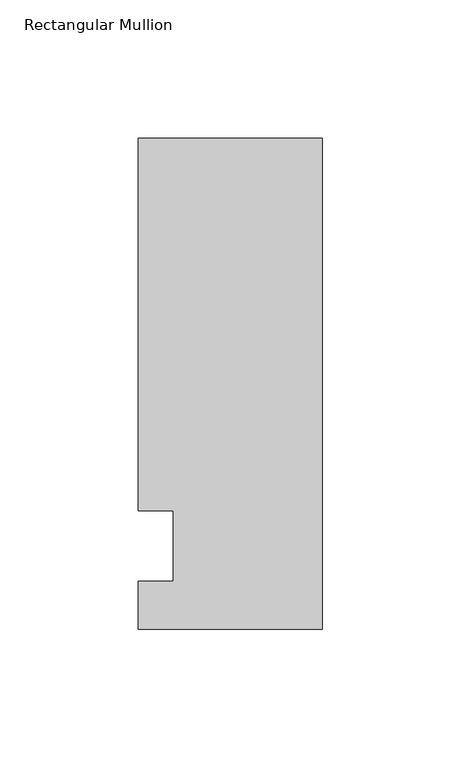
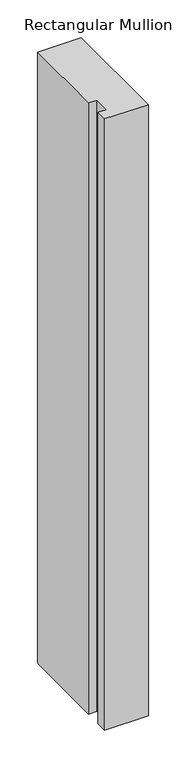
"""IFC4 building model written with IfcOpenShell, lengths in millimetres: member geometry, Rectangular Mullion."""

from ifc_helpers import new_model, si_unit, frame, origin, place, context, project, spatial, polyline, outline, extrude, source, transform, mapped, element, save


def rectangular_mullion_828ce8fa(model_context):
    return source(origin(), model_context, "Body", "SweptSolid", [
        extrude(outline(polyline([(-66.675, 147.6375), (0.0, 147.6375), (0.0, -30.1625), (-66.675, -30.1625), (-66.675, -12.7), (-53.9732296, -12.7), (-53.9732296, 12.7), (-66.675, 12.7), (-66.675, 147.6375)])), frame((0.0, 0.0, -987.425), z_axis=(0.0, 0.0, 1.0), x_axis=(1.0, 0.0, 0.0)), (0.0, 0.0, 1.0), 987.425),
    ])


if __name__ == "__main__":
    model = new_model("IFC4")
    model_context = context("Model", 3, world=origin())
    ifc_project = project(units=[si_unit("LENGTHUNIT", "METRE", prefix="MILLI")], contexts=[model_context])
    site = spatial("IfcSite", under=ifc_project)
    building = spatial("IfcBuilding", under=site)
    placement = place(None, origin())
    rectangular_mullion_shape = rectangular_mullion_828ce8fa(model_context)
    element("IfcMember", 1, ObjectType="Rectangular Mullion", at=placement, inside=building, context=model_context, shape_type="MappedRepresentation", body=[
        mapped(rectangular_mullion_shape, transform((0.0, 0.0, 0.0), x_axis=(1.0, 0.0, 0.0), y_axis=(0.0, 1.0, 0.0), z_axis=(0.0, 0.0, 1.0))),
    ])
    save(model, "model.ifc")
